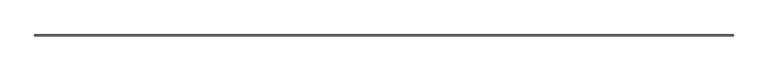
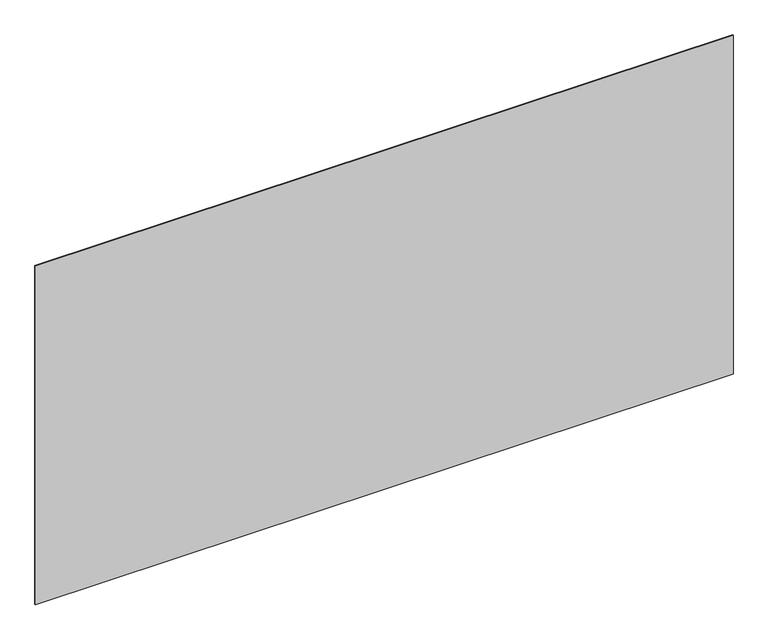
"""IFC4 building model written with IfcOpenShell, lengths in millimetres: furniture geometry."""

from ifc_helpers import new_model, si_unit, frame, origin, place, context, project, spatial, polyline, outline, extrude, source, transform, mapped, element, save


def furniture_b1aa544a(model_context):
    return source(origin(), model_context, "Body", "SweptSolid", [
        extrude(outline(polyline([(882.1539126, 177.8), (882.1539126, 176.2125), (-304.8, 176.2125), (-304.8, 177.8), (882.1539126, 177.8)])), frame((0.0, 0.0, 1625.6), z_axis=(0.0, 0.0, 1.0), x_axis=(1.0, 0.0, 0.0)), (0.0, 0.0, 1.0), 609.6),
    ])


if __name__ == "__main__":
    model = new_model("IFC4")
    model_context = context("Model", 3, world=origin())
    ifc_project = project(units=[si_unit("LENGTHUNIT", "METRE", prefix="MILLI")], contexts=[model_context])
    site = spatial("IfcSite", under=ifc_project)
    building = spatial("IfcBuilding", under=site)
    placement = place(None, origin())
    furniture_shape = furniture_b1aa544a(model_context)
    element("IfcFurniture", 1, at=placement, inside=building, context=model_context, shape_type="MappedRepresentation", body=[
        mapped(furniture_shape, transform((0.0, 0.0, 0.0), x_axis=(1.0, 0.0, 0.0), y_axis=(0.0, 1.0, 0.0), z_axis=(0.0, 0.0, 1.0))),
    ])
    save(model, "model.ifc")
